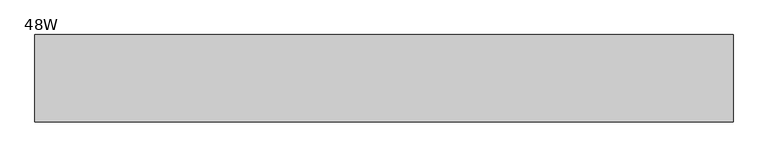
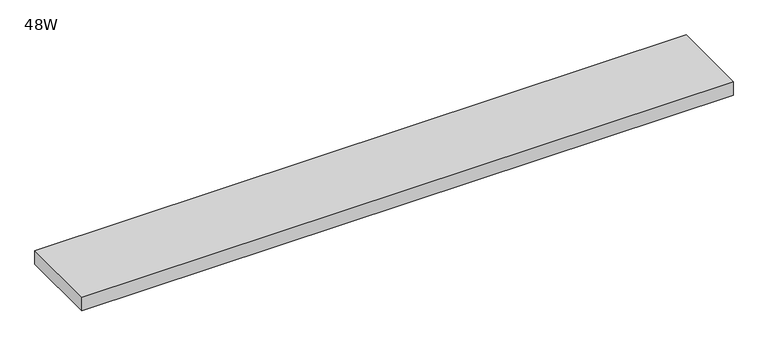
"""IFC4 building model written with IfcOpenShell, lengths in millimetres: furniture geometry, 48W."""

import ifcopenshell
import ifcopenshell.guid

model = None  # the IFC model being written
_history = None  # IfcOwnerHistory: only IFC2X3 demands one
_inside = {}  # id of a spatial element -> (the spatial element, [elements in it])
_under = {}  # id of a project, library or spatial element -> (it, [spatial elements below it])
_declared = {}  # id of a project -> (the project, [libraries it declares])
_typed = {}  # id of a type object -> (the type object, [elements of that type])
_made_of = {}  # id of a material, layer set ... -> (it, [elements and type objects made of it])


def new_model(schema):
    """Start an empty IFC model of exactly this schema.

    Asked for "IFC4X3", IfcOpenShell would pick the latest addendum, in which some entities
    have other attributes; the version numbers below select the first issue.
    IFC2X3 requires an IfcOwnerHistory on every rooted entity: one is made here for all.
    """
    global model, _history
    if schema == "IFC4X3":
        model = ifcopenshell.file(schema_version=(4, 3, 0, 0))
    else:
        model = ifcopenshell.file(schema=schema)
    _inside.clear()
    _under.clear()
    _declared.clear()
    _typed.clear()
    _made_of.clear()
    _history = None
    if model.schema == "IFC2X3":
        org = make("IfcOrganization", Name="unknown")
        user = make(
            "IfcPersonAndOrganization",
            ThePerson=make("IfcPerson", FamilyName="unknown"),
            TheOrganization=org,
        )
        app = make(
            "IfcApplication",
            ApplicationDeveloper=org,
            Version="unknown",
            ApplicationFullName="unknown",
            ApplicationIdentifier="unknown",
        )
        _history = make(
            "IfcOwnerHistory",
            OwningUser=user,
            OwningApplication=app,
            ChangeAction="ADDED",
            CreationDate=0,
        )
    return model


def make(cls, **values):
    """One entity of the class cls with the attributes given. An attribute that is None is left unset."""
    return model.create_entity(
        cls, **{name: value for name, value in values.items() if value is not None}
    )


def rooted(cls, **values):
    """An entity with a GlobalId (a new one), such as an element, a storey or a relation."""
    return make(cls, GlobalId=ifcopenshell.guid.new(), OwnerHistory=_history, **values)


def si_unit(unit_type, name, prefix=None):
    """IfcSIUnit, for example si_unit("LENGTHUNIT", "METRE", prefix="MILLI")."""
    return make("IfcSIUnit", UnitType=unit_type, Prefix=prefix, Name=name)


def assignment(units):
    """IfcUnitAssignment: the units of a project."""
    return None if units is None else make("IfcUnitAssignment", Units=units)


def point(xyz):
    """IfcCartesianPoint."""
    return None if xyz is None else make("IfcCartesianPoint", Coordinates=xyz)


def direction(xyz):
    """IfcDirection."""
    return None if xyz is None else make("IfcDirection", DirectionRatios=xyz)


def frame(location, z_axis=None, x_axis=None):
    """IfcAxis2Placement3D, a coordinate frame: its origin and axes. An axis left out is left unset."""
    return make(
        "IfcAxis2Placement3D",
        Location=point(location),
        Axis=direction(z_axis),
        RefDirection=direction(x_axis),
    )


def origin():
    """The frame at (0, 0, 0) with its axes left unset."""
    return frame((0.0, 0.0, 0.0))


def place(relative_to, where):
    """IfcLocalPlacement: puts the frame where relative to a parent placement (None: the world)."""
    return make(
        "IfcLocalPlacement", PlacementRelTo=relative_to, RelativePlacement=where
    )


def context(
    kind, dimensions, precision=None, world=None, true_north=None, identifier=None
):
    """IfcGeometricRepresentationContext, for example the 3D "Model" context."""
    return make(
        "IfcGeometricRepresentationContext",
        ContextIdentifier=identifier,
        ContextType=kind,
        CoordinateSpaceDimension=dimensions,
        Precision=precision,
        WorldCoordinateSystem=world,
        TrueNorth=true_north,
    )


def project(units=None, contexts=None):
    """IfcProject with its units and contexts."""
    return rooted(
        "IfcProject",
        Name="project",
        RepresentationContexts=contexts,
        UnitsInContext=assignment(units),
    )


def spatial(cls, under=None, at=None, **own):
    """A site, building, storey or space (cls), placed at a placement, below another one or the project."""
    s = rooted(cls, ObjectPlacement=at, **own)
    if under is not None:
        _under.setdefault(under.id(), (under, []))[1].append(s)
    return s


def polyline(points):
    """IfcPolyline through the points."""
    return make("IfcPolyline", Points=[point(p) for p in points])


def outline(outer, holes=None, kind="AREA"):
    """IfcArbitraryClosedProfileDef: a profile drawn as a closed curve; with holes, ...WithVoids."""
    if holes is None:
        return make("IfcArbitraryClosedProfileDef", ProfileType=kind, OuterCurve=outer)
    return make(
        "IfcArbitraryProfileDefWithVoids",
        ProfileType=kind,
        OuterCurve=outer,
        InnerCurves=holes,
    )


def extrude(swept, where, along, depth):
    """IfcExtrudedAreaSolid: the profile swept, set in the frame where, extruded along a direction by depth."""
    return make(
        "IfcExtrudedAreaSolid",
        SweptArea=swept,
        Position=where,
        ExtrudedDirection=direction(along),
        Depth=depth,
    )


def shape(context_of_items, identifier, shape_type, items):
    """IfcShapeRepresentation: the items that make up one representation, for example the "Body"."""
    return make(
        "IfcShapeRepresentation",
        ContextOfItems=context_of_items,
        RepresentationIdentifier=identifier,
        RepresentationType=shape_type,
        Items=items,
    )


def source(mapping_origin, context_of_items, identifier, shape_type, items):
    """IfcRepresentationMap: a shape defined once, which mapped items show again and again."""
    return make(
        "IfcRepresentationMap",
        MappingOrigin=mapping_origin,
        MappedRepresentation=shape(context_of_items, identifier, shape_type, items),
    )


def transform(
    local_origin,
    x_axis=None,
    y_axis=None,
    z_axis=None,
    scale=None,
    scale2=None,
    scale3=None,
    uniform=True,
):
    """IfcCartesianTransformationOperator3D, or its non-uniform kind. x_axis, y_axis, z_axis: its Axis1, 2, 3."""
    if uniform:
        return make(
            "IfcCartesianTransformationOperator3D",
            Axis1=direction(x_axis),
            Axis2=direction(y_axis),
            LocalOrigin=point(local_origin),
            Scale=scale,
            Axis3=direction(z_axis),
        )
    return make(
        "IfcCartesianTransformationOperator3DnonUniform",
        Axis1=direction(x_axis),
        Axis2=direction(y_axis),
        LocalOrigin=point(local_origin),
        Scale=scale,
        Axis3=direction(z_axis),
        Scale2=scale2,
        Scale3=scale3,
    )


def mapped(mapping_source, mapping_target):
    """IfcMappedItem: shows the shape of a source again, moved by a transform."""
    return make(
        "IfcMappedItem", MappingSource=mapping_source, MappingTarget=mapping_target
    )


def made_of(thing, what):
    """Note that an element or type object is made of a material, layer set ...; save() writes the relation."""
    if what is not None:
        _made_of.setdefault(what.id(), (what, []))[1].append(thing)
    return thing


def element(
    cls,
    number,
    at=None,
    inside=None,
    cuts=None,
    type_object=None,
    material=None,
    context=None,
    identifier="Body",
    shape_type=None,
    held_by="IfcProductDefinitionShape",
    body=None,
    shapes=None,
    **own,
):
    """One element of the class cls, such as IfcWall. Its Tag is "e" and its number.

    at: its placement. inside: the storey or other place that contains it. cuts: it is an
    opening in that element (IfcRelVoidsElement). A single representation is given by context,
    identifier, shape_type and body (its items); several are given by shapes. held_by: the class
    of the entity that holds the representations. save() writes the other relations.
    """
    e = rooted(cls, Tag="e%d" % number, ObjectPlacement=at, **own)
    if body is not None:
        shapes = [shape(context, identifier, shape_type, body)]
    if shapes is not None:
        e.Representation = make(held_by, Representations=shapes)
    if inside is not None:
        _inside.setdefault(inside.id(), (inside, []))[1].append(e)
    if cuts is not None:
        rooted(
            "IfcRelVoidsElement", RelatingBuildingElement=cuts, RelatedOpeningElement=e
        )
    if type_object is not None:
        _typed.setdefault(type_object.id(), (type_object, []))[1].append(e)
    return made_of(e, material)


def aggregate(whole, parts):
    """IfcRelAggregates: a whole, such as a stair, and the parts it consists of."""
    return rooted("IfcRelAggregates", RelatingObject=whole, RelatedObjects=parts)


def save(model, path):
    """Write the relations noted so far, then the file.

    IfcRelAggregates (storeys below a building ...), IfcRelContainedInSpatialStructure (elements
    in a storey), IfcRelDefinesByType, IfcRelAssociatesMaterial and IfcRelDeclares: one each for
    every whole, place, type object, material and project.
    """
    for whole, parts in _under.values():
        aggregate(whole, parts)
    for where, things in _inside.values():
        rooted(
            "IfcRelContainedInSpatialStructure",
            RelatedElements=things,
            RelatingStructure=where,
        )
    for kind, things in _typed.values():
        rooted("IfcRelDefinesByType", RelatedObjects=things, RelatingType=kind)
    for what, things in _made_of.values():
        rooted("IfcRelAssociatesMaterial", RelatedObjects=things, RelatingMaterial=what)
    for by, libraries in _declared.values():
        rooted("IfcRelDeclares", RelatingContext=by, RelatedDefinitions=libraries)
    model.write(path)


def furniture_48w_0dfa300b(model_context):
    return source(origin(), model_context, "Body", "SweptSolid", [
        extrude(outline(polyline([(1219.2, 0.0), (1219.2, -152.4), (0.0, -152.4), (0.0, 0.0), (1219.2, 0.0)])), frame((0.0, 0.0, 457.2), z_axis=(0.0, 0.0, 1.0), x_axis=(1.0, 0.0, 0.0)), (0.0, 0.0, 1.0), 26.924),
    ])


if __name__ == "__main__":
    model = new_model("IFC4")
    model_context = context("Model", 3, world=origin())
    ifc_project = project(units=[si_unit("LENGTHUNIT", "METRE", prefix="MILLI")], contexts=[model_context])
    site = spatial("IfcSite", under=ifc_project)
    building = spatial("IfcBuilding", under=site)
    placement = place(None, origin())
    furniture_48w_shape = furniture_48w_0dfa300b(model_context)
    element("IfcFurniture", 1, ObjectType="48W", at=placement, inside=building, context=model_context, shape_type="MappedRepresentation", body=[
        mapped(furniture_48w_shape, transform((0.0, 0.0, 0.0), x_axis=(1.0, 0.0, 0.0), y_axis=(0.0, 1.0, 0.0), z_axis=(0.0, 0.0, 1.0))),
    ])
    save(model, "model.ifc")
